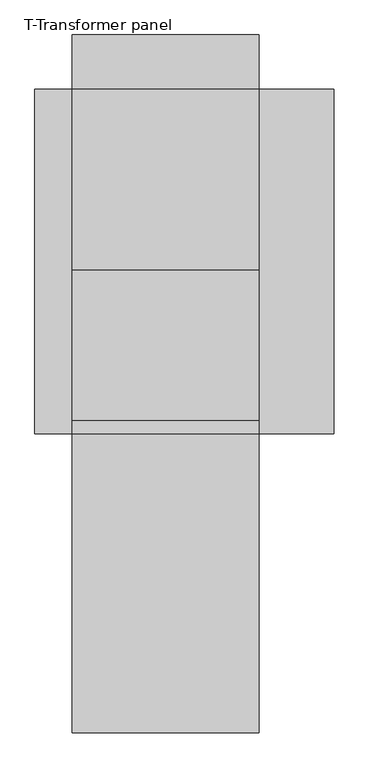
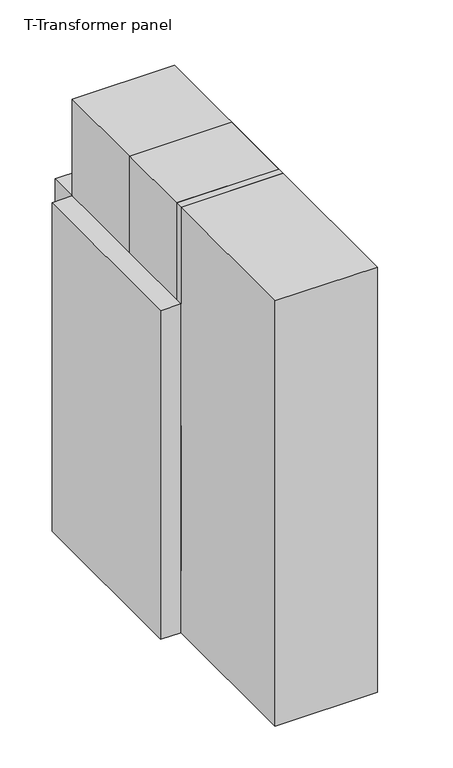
"""IFC4 building model written with IfcOpenShell, lengths in millimetres: proxy geometry, T-Transformer panel."""

from ifc_helpers import new_model, si_unit, frame, origin, origin_with_axes, place, context, project, spatial, polyline, circle_curve, outline, extrude, faceted_brep, source, transform, mapped, element, save
from ifc_brep_helpers import plane_surface, revolved_surface, advanced_brep


def t_transformer_panel_01851be8(model_context):
    return source(origin(), model_context, "Body", "SolidModel", [
        faceted_brep([(500.0, 325.0, 0.0), (500.0, 325.0, 1070.0), (500.0, 61.0, 1070.0), (500.0, 61.0, 0.0), (0.0, 325.0, 0.0), (0.0, 61.0, 0.0), (0.0, 61.0, 1070.0), (0.0, 325.0, 1070.0), (40.0, 101.0, 0.0), (460.0, 101.0, 0.0), (460.0, 315.0, 0.0), (40.0, 315.0, 0.0), (40.0, 101.0, 10.0), (40.0, 315.0, 10.0), (460.0, 315.0, 10.0), (460.0, 101.0, 10.0)], [[[0, 1, 2, 3]], [[4, 5, 6, 7]], [[1, 0, 4, 7]], [[2, 1, 7, 6]], [[3, 2, 6, 5]], [[0, 3, 5, 4], [8, 9, 10, 11]], [[12, 13, 14, 15]], [[12, 15, 9, 8]], [[15, 14, 10, 9]], [[14, 13, 11, 10]], [[13, 12, 8, 11]]]),
        extrude(outline(polyline([(500.0, 59.0), (500.0, 0.0), (0.0, 0.0), (0.0, 59.0), (500.0, 59.0)])), frame((0.0, 0.0, 320.0), z_axis=(0.0, 0.0, 1.0), x_axis=(1.0, 0.0, 0.0)), (0.0, 0.0, 1.0), 750.0),
        advanced_brep(
        [(500.0, 325.0, 1350.0), (500.0, 920.0, 1350.0), (500.0, 920.0, 1600.0), (500.0, 325.0, 1600.0), (500.0, 503.75, 1475.0), (500.0, 383.75, 1475.0), (500.0, 682.5, 1475.0), (500.0, 562.5, 1475.0), (500.0, 861.25, 1475.0), (500.0, 741.25, 1475.0), (0.0, 325.0, 1350.0), (0.0, 325.0, 1600.0), (0.0, 920.0, 1600.0), (0.0, 920.0, 1350.0), (0.0, 741.25, 1475.0), (0.0, 861.25, 1475.0), (0.0, 562.5, 1475.0), (0.0, 682.5, 1475.0), (0.0, 383.75, 1475.0), (0.0, 503.75, 1475.0), (5.0, 741.25, 1475.0), (5.0, 861.25, 1475.0), (5.0, 562.5, 1475.0), (5.0, 682.5, 1475.0), (5.0, 383.75, 1475.0), (5.0, 503.75, 1475.0), (495.0, 503.75, 1475.0), (495.0, 383.75, 1475.0), (495.0, 682.5, 1475.0), (495.0, 562.5, 1475.0), (495.0, 861.25, 1475.0), (495.0, 741.25, 1475.0)],
        [
            (0, 1),
            (1, 2),
            (2, 3),
            (3, 0),
            (4, 5, circle_curve(frame((500.0, 443.75, 1475.0), z_axis=(-1.0, 0.0, 0.0), x_axis=(0.0, -1.0, 0.0)), 60.0)),
            (5, 4, circle_curve(frame((500.0, 443.75, 1475.0), z_axis=(-1.0, 0.0, 0.0), x_axis=(0.0, -1.0, 0.0)), 60.0)),
            (6, 7, circle_curve(frame((500.0, 622.5, 1475.0), z_axis=(-1.0, 0.0, 0.0), x_axis=(0.0, -1.0, 0.0)), 60.0)),
            (7, 6, circle_curve(frame((500.0, 622.5, 1475.0), z_axis=(-1.0, 0.0, 0.0), x_axis=(0.0, -1.0, 0.0)), 60.0)),
            (8, 9, circle_curve(frame((500.0, 801.25, 1475.0), z_axis=(-1.0, 0.0, 0.0), x_axis=(0.0, -1.0, 0.0)), 60.0)),
            (9, 8, circle_curve(frame((500.0, 801.25, 1475.0), z_axis=(-1.0, 0.0, 0.0), x_axis=(0.0, -1.0, 0.0)), 60.0)),
            (10, 11),
            (11, 12),
            (12, 13),
            (13, 10),
            (14, 15, circle_curve(frame((0.0, 801.25, 1475.0), z_axis=(1.0, 0.0, 0.0), x_axis=(0.0, 1.0, 0.0)), 60.0)),
            (15, 14, circle_curve(frame((0.0, 801.25, 1475.0), z_axis=(1.0, 0.0, 0.0), x_axis=(0.0, 1.0, 0.0)), 60.0)),
            (16, 17, circle_curve(frame((0.0, 622.5, 1475.0), z_axis=(1.0, 0.0, 0.0), x_axis=(0.0, 1.0, 0.0)), 60.0)),
            (17, 16, circle_curve(frame((0.0, 622.5, 1475.0), z_axis=(1.0, 0.0, 0.0), x_axis=(0.0, 1.0, 0.0)), 60.0)),
            (18, 19, circle_curve(frame((0.0, 443.75, 1475.0), z_axis=(1.0, 0.0, 0.0), x_axis=(0.0, 1.0, 0.0)), 60.0)),
            (19, 18, circle_curve(frame((0.0, 443.75, 1475.0), z_axis=(1.0, 0.0, 0.0), x_axis=(0.0, 1.0, 0.0)), 60.0)),
            (0, 10),
            (13, 1),
            (12, 2),
            (11, 3),
            (20, 21, circle_curve(frame((5.0, 801.25, 1475.0), z_axis=(-1.0, 0.0, 0.0), x_axis=(0.0, 1.0, 0.0)), 60.0)),
            (21, 20, circle_curve(frame((5.0, 801.25, 1475.0), z_axis=(-1.0, 0.0, 0.0), x_axis=(0.0, 1.0, 0.0)), 60.0)),
            (22, 23, circle_curve(frame((5.0, 622.5, 1475.0), z_axis=(-1.0, 0.0, 0.0), x_axis=(0.0, 1.0, 0.0)), 60.0)),
            (23, 22, circle_curve(frame((5.0, 622.5, 1475.0), z_axis=(-1.0, 0.0, 0.0), x_axis=(0.0, 1.0, 0.0)), 60.0)),
            (24, 25, circle_curve(frame((5.0, 443.75, 1475.0), z_axis=(-1.0, 0.0, 0.0), x_axis=(0.0, 1.0, 0.0)), 60.0)),
            (25, 24, circle_curve(frame((5.0, 443.75, 1475.0), z_axis=(-1.0, 0.0, 0.0), x_axis=(0.0, 1.0, 0.0)), 60.0)),
            (21, 15),
            (14, 20),
            (23, 17),
            (16, 22),
            (25, 19),
            (18, 24),
            (26, 27, circle_curve(frame((495.0, 443.75, 1475.0), z_axis=(1.0, 0.0, 0.0), x_axis=(0.0, -1.0, 0.0)), 60.0)),
            (27, 26, circle_curve(frame((495.0, 443.75, 1475.0), z_axis=(1.0, 0.0, 0.0), x_axis=(0.0, -1.0, 0.0)), 60.0)),
            (28, 29, circle_curve(frame((495.0, 622.5, 1475.0), z_axis=(1.0, 0.0, 0.0), x_axis=(0.0, -1.0, 0.0)), 60.0)),
            (29, 28, circle_curve(frame((495.0, 622.5, 1475.0), z_axis=(1.0, 0.0, 0.0), x_axis=(0.0, -1.0, 0.0)), 60.0)),
            (30, 31, circle_curve(frame((495.0, 801.25, 1475.0), z_axis=(1.0, 0.0, 0.0), x_axis=(0.0, -1.0, 0.0)), 60.0)),
            (31, 30, circle_curve(frame((495.0, 801.25, 1475.0), z_axis=(1.0, 0.0, 0.0), x_axis=(0.0, -1.0, 0.0)), 60.0)),
            (27, 5),
            (4, 26),
            (29, 7),
            (6, 28),
            (31, 9),
            (8, 30),
        ],
        [
            plane_surface(frame((500.0, 920.0, 1350.0), z_axis=(1.0, 0.0, 0.0), x_axis=(0.0, 1.0, 0.0))),
            plane_surface(frame((0.0, 920.0, 1350.0), z_axis=(-1.0, 0.0, 0.0), x_axis=(0.0, -1.0, 0.0))),
            plane_surface(frame((500.0, 325.0, 1350.0), z_axis=(0.0, 0.0, -1.0), x_axis=(-1.0, 0.0, 0.0))),
            plane_surface(frame((500.0, 920.0, 1350.0), z_axis=(0.0, 1.0, 0.0), x_axis=(-1.0, 0.0, 0.0))),
            plane_surface(frame((500.0, 920.0, 1600.0), z_axis=(0.0, 0.0, 1.0), x_axis=(-1.0, 0.0, 0.0))),
            plane_surface(frame((500.0, 325.0, 1600.0), z_axis=(0.0, -1.0, 0.0), x_axis=(-1.0, 0.0, 0.0))),
            plane_surface(frame((5.0, 861.25, 1475.0), z_axis=(-1.0, 0.0, 0.0), x_axis=(0.0, 0.0, 1.0))),
            revolved_surface(polyline([(5.0, 861.25, 1475.0), (0.0, 861.25, 1475.0)]), (0.0, 801.25, 1475.0), (1.0, 0.0, 0.0)),
            revolved_surface(polyline([(5.0, 682.5, 1475.0), (0.0, 682.5, 1475.0)]), (0.0, 622.5, 1475.0), (1.0, 0.0, 0.0)),
            revolved_surface(polyline([(5.0, 503.75, 1475.0), (0.0, 503.75, 1475.0)]), (0.0, 443.75, 1475.0), (1.0, 0.0, 0.0)),
            plane_surface(frame((495.0, 383.75, 1475.0), z_axis=(1.0, 0.0, 0.0), x_axis=(0.0, 0.0, 1.0))),
            revolved_surface(polyline([(495.0, 383.75, 1475.0), (500.0, 383.75, 1475.0)]), (500.0, 443.75, 1475.0), (-1.0, 0.0, 0.0)),
            revolved_surface(polyline([(495.0, 562.5, 1475.0), (500.0, 562.5, 1475.0)]), (500.0, 622.5, 1475.0), (-1.0, 0.0, 0.0)),
            revolved_surface(polyline([(495.0, 741.25, 1475.0), (500.0, 741.25, 1475.0)]), (500.0, 801.25, 1475.0), (-1.0, 0.0, 0.0)),
        ],
        [
            (0, [[1, 2, 3, 4], [5, 6], [7, 8], [9, 10]]),
            (1, [[11, 12, 13, 14], [15, 16], [17, 18], [19, 20]]),
            (2, [[-1, 21, -14, 22]]),
            (3, [[-2, -22, -13, 23]]),
            (4, [[-3, -23, -12, 24]]),
            (5, [[-4, -24, -11, -21]]),
            (6, [[25, 26]]),
            (6, [[27, 28]]),
            (6, [[29, 30]]),
            (7, [[-26, 31, -15, 32]]),
            (7, [[-25, -32, -16, -31]]),
            (8, [[-28, 33, -17, 34]]),
            (8, [[-27, -34, -18, -33]]),
            (9, [[-30, 35, -19, 36]]),
            (9, [[-29, -36, -20, -35]]),
            (10, [[37, 38]]),
            (10, [[39, 40]]),
            (10, [[41, 42]]),
            (11, [[-38, 43, -5, 44]]),
            (11, [[-37, -44, -6, -43]]),
            (12, [[-40, 45, -7, 46]]),
            (12, [[-39, -46, -8, -45]]),
            (13, [[-42, 47, -9, 48]]),
            (13, [[-41, -48, -10, -47]]),
        ],
    ),
        extrude(outline(polyline([(500.0, 325.0), (500.0, 36.0), (0.0, 36.0), (0.0, 325.0), (500.0, 325.0)])), frame((0.0, 0.0, 1070.0), z_axis=(0.0, 0.0, 1.0), x_axis=(1.0, 0.0, 0.0)), (0.0, 0.0, 1.0), 530.0),
        extrude(outline(polyline([(500.0, 920.0), (500.0, 325.0), (0.0, 325.0), (0.0, 920.0), (500.0, 920.0)])), frame((0.0, 0.0, 400.0), z_axis=(0.0, 0.0, 1.0), x_axis=(1.0, 0.0, 0.0)), (0.0, 0.0, 1.0), 950.0),
        extrude(outline(polyline([(500.0, 920.0), (500.0, 325.0), (0.0, 325.0), (0.0, 920.0), (500.0, 920.0)])), origin_with_axes(), (0.0, 0.0, 1.0), 400.0),
        extrude(outline(polyline([(336.0, 1600.0), (36.0, 1600.0), (36.0, 2200.0), (436.0, 2200.0), (436.0, 1700.0), (336.0, 1600.0)])), frame((0.0, 0.0, 0.0), z_axis=(1.0, 0.0, 0.0), x_axis=(0.0, 1.0, 0.0)), (0.0, 0.0, 1.0), 500.0),
        extrude(outline(polyline([(500.0, 920.0), (500.0, 0.0), (0.0, 0.0), (0.0, 920.0), (500.0, 920.0)])), frame((0.0, 0.0, 1700.0), z_axis=(0.0, 0.0, 1.0), x_axis=(1.0, 0.0, 0.0)), (0.0, 0.0, 1.0), 500.0),
        extrude(outline(polyline([(500.0, 1065.0), (500.0, 920.0), (0.0, 920.0), (0.0, 1065.0), (500.0, 1065.0)])), origin_with_axes(), (0.0, 0.0, 1.0), 1700.0),
        extrude(outline(polyline([(700.0, 920.0), (700.0, 0.0), (500.0, 0.0), (500.0, 920.0), (700.0, 920.0)])), origin_with_axes(), (0.0, 0.0, 1.0), 1700.0),
        extrude(outline(polyline([(0.0, 920.0), (0.0, 0.0), (-100.0, 0.0), (-100.0, 920.0), (0.0, 920.0)])), origin_with_axes(), (0.0, 0.0, 1.0), 1700.0),
        extrude(outline(polyline([(1035.0, 0.0), (920.0, 0.0), (920.0, 1600.0), (675.0, 1600.0), (675.0, 1700.0), (1035.0, 1700.0), (1035.0, 0.0)])), frame((0.0, 0.0, 0.0), z_axis=(1.0, 0.0, 0.0), x_axis=(0.0, 1.0, 0.0)), (0.0, 0.0, 1.0), 500.0),
        extrude(outline(polyline([(500.0, 0.0), (500.0, -800.0), (0.0, -800.0), (0.0, 0.0), (500.0, 0.0)])), origin_with_axes(), (0.0, 0.0, 1.0), 2200.0),
    ])


if __name__ == "__main__":
    model = new_model("IFC4")
    model_context = context("Model", 3, world=origin())
    ifc_project = project(units=[si_unit("LENGTHUNIT", "METRE", prefix="MILLI")], contexts=[model_context])
    site = spatial("IfcSite", under=ifc_project)
    building = spatial("IfcBuilding", under=site)
    placement = place(None, origin())
    t_transformer_panel_shape = t_transformer_panel_01851be8(model_context)
    element("IfcBuildingElementProxy", 1, Name="T-Transformer panel", ObjectType="T-Transformer panel", at=placement, inside=building, context=model_context, shape_type="MappedRepresentation", body=[
        mapped(t_transformer_panel_shape, transform((0.0, 0.0, 0.0), x_axis=(1.0, 0.0, 0.0), y_axis=(0.0, 1.0, 0.0), z_axis=(0.0, 0.0, 1.0))),
    ])
    save(model, "model.ifc")
